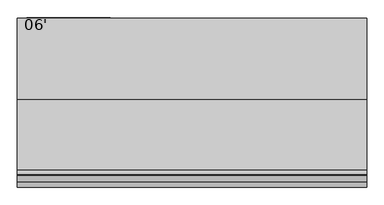
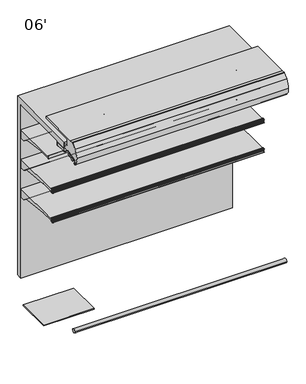
"""IFC4 building model written with IfcOpenShell, lengths in millimetres: proxy geometry, 06'."""

from ifc_helpers import new_model, si_unit, point, frame, frame_2d, origin, place, context, project, spatial, polyline, circle_curve, trimmed, segment, composite_curve, outline, extrude, source, transform, mapped, element, save
from ifc_brep_helpers import plane_surface, cylinder_surface, revolved_surface, advanced_brep


def proxy_06_cfcfbb70(model_context):
    return source(origin(), model_context, "Body", "SolidModel", [
        advanced_brep(
        [(1828.8, -953.4873974, 1188.3336206), (1828.8, -952.5185778, 1188.7146206), (1828.8, -953.6333414, 1191.5492791), (1828.8, -956.6955302, 1193.6427997), (1828.8, -959.1595285, 1193.6508058), (1828.8, -959.1595285, 1165.1089274), (1828.8, -961.2817196, 1162.6035261), (1828.8, -965.5436404, 1161.8992819), (1828.8, -968.2411887, 1165.5176966), (1828.8, -965.1539285, 1178.0739002), (1828.8, -965.1539285, 1193.6508058), (1828.8, -970.314443, 1193.6508058), (1828.8, -971.339509, 1193.1306533), (1828.8, -972.4224632, 1190.8805751), (1828.8, -971.4385536, 1190.6868672), (1828.8, -970.8449745, 1192.2840367), (1828.8, -969.9972085, 1192.4534439), (1828.8, -967.9567396, 1189.3559236), (1828.8, -967.0677396, 1189.3559236), (1828.8, -967.0677396, 1184.5415513), (1828.8, -966.2810398, 1184.3469249), (1828.8, -967.0803293, 1181.1161148), (1828.8, -967.1337108, 1178.0579707), (1828.8, -967.1768859, 1176.9354655), (1828.8, -967.3201998, 1175.2918474), (1828.8, -967.7783843, 1172.5359697), (1828.8, -968.1746064, 1170.9343994), (1828.8, -971.9864246, 1162.6566769), (1828.8, -972.8889174, 1162.7757838), (1828.8, -973.3695256, 1164.2215289), (1828.8, -974.339124, 1163.9575737), (1828.8, -973.9435731, 1162.8065372), (1828.8, -968.3206176, 1159.0474424), (1828.8, -955.7661201, 1161.1134934), (1828.8, -953.1994616, 1163.2422642), (1828.8, -952.2242271, 1165.9215536), (1828.8, -953.2266912, 1166.2864206), (1828.8, -954.0834067, 1164.4981573), (1828.8, -957.704454, 1165.4078872), (1828.8, -957.8263588, 1189.2180727), (1828.8, -954.1516029, 1190.0217197), (0.0, -953.4873974, 1188.3336206), (0.0, -954.1516029, 1190.0217197), (0.0, -957.8263588, 1189.2180727), (0.0, -957.704454, 1165.4078872), (0.0, -954.0834067, 1164.4981573), (0.0, -953.2266912, 1166.2864206), (0.0, -952.2242271, 1165.9215536), (0.0, -953.1994616, 1163.2422642), (0.0, -955.7661201, 1161.1134934), (0.0, -968.3206176, 1159.0474424), (0.0, -973.943554, 1162.8065458), (0.0, -974.339124, 1163.9575737), (0.0, -973.3695256, 1164.2215289), (0.0, -972.8889174, 1162.7757838), (0.0, -971.9864527, 1162.6566957), (0.0, -968.1746064, 1170.9343994), (0.0, -967.7783843, 1172.5359697), (0.0, -967.3201998, 1175.2918474), (0.0, -967.1768859, 1176.9354655), (0.0, -967.1337108, 1178.0579707), (0.0, -967.0803293, 1181.1161148), (0.0, -966.2810398, 1184.3469249), (0.0, -967.0677396, 1184.5415513), (0.0, -967.0677396, 1189.3559236), (0.0, -967.9567396, 1189.3559236), (0.0, -969.9972022, 1192.4534498), (0.0, -970.8449745, 1192.2840367), (0.0, -971.4385536, 1190.6868672), (0.0, -972.4224582, 1190.8805738), (0.0, -971.3395219, 1193.1306627), (0.0, -970.314443, 1193.6507933), (0.0, -965.1539285, 1193.6508058), (0.0, -965.1539285, 1178.0739002), (0.0, -968.2411887, 1165.5176966), (0.0, -965.5436404, 1161.8992819), (0.0, -961.2817196, 1162.6035261), (0.0, -959.1595285, 1165.1089274), (0.0, -959.1595285, 1193.6508058), (0.0, -956.6955302, 1193.6427997), (0.0, -953.6333414, 1191.5492791), (0.0, -952.5185778, 1188.7146206)],
        [
            (0, 1),
            (1, 2),
            (2, 3, circle_curve(frame((1828.8, -956.7062592, 1190.3408171), z_axis=(1.0, 0.0, 0.0), x_axis=(0.0, 1.0, 0.0)), 3.302)),
            (3, 4),
            (4, 5),
            (5, 6, circle_curve(frame((1828.8, -961.6995285, 1165.1089274), z_axis=(-1.0, 0.0, 0.0), x_axis=(0.0, 1.0, 0.0)), 2.54)),
            (6, 7),
            (7, 8, circle_curve(frame((1828.8, -965.9577369, 1164.4052966), z_axis=(-1.0, 0.0, 0.0), x_axis=(0.0, 1.0, 0.0)), 2.5399972)),
            (8, 9, circle_curve(frame((1828.8, -996.6337496, 1179.1563681), z_axis=(1.0, 0.0, 0.0), x_axis=(0.0, 1.0, 0.0)), 31.4984265)),
            (9, 10),
            (10, 11),
            (11, 12, circle_curve(frame((1828.8, -970.3145227, 1192.3808058), z_axis=(1.0, 0.0, 0.0), x_axis=(0.0, 1.0, 0.0)), 1.2699874)),
            (12, 13, circle_curve(frame((1828.8, -965.8048035, 1189.0812188), z_axis=(1.0, 0.0, 0.0), x_axis=(0.0, 1.0, 0.0)), 6.8579226)),
            (13, 14, circle_curve(frame((1828.8, -971.9374049, 1190.748678), z_axis=(1.0, 0.0, 0.0), x_axis=(0.0, 1.0, 0.0)), 0.5026661)),
            (14, 15),
            (15, 16, circle_curve(frame((1828.8, -970.3688025, 1192.10707), z_axis=(-1.0, 0.0, 0.0), x_axis=(0.0, 1.0, 0.0)), 0.5079931)),
            (16, 17, circle_curve(frame((1828.8, -978.1160311, 1184.8844276), z_axis=(-1.0, 0.0, 0.0), x_axis=(0.0, 1.0, 0.0)), 11.0997964)),
            (17, 18),
            (18, 19),
            (19, 20),
            (20, 21),
            (21, 22),
            (22, 23, circle_curve(frame((1828.8, -995.7036769, 1178.594778), z_axis=(-1.0, 0.0, 0.0), x_axis=(0.0, 1.0, 0.0)), 28.5750087)),
            (23, 24, circle_curve(frame((1828.8, -967.6415419, 1176.1479236), z_axis=(-1.0, 0.0, 0.0), x_axis=(0.0, 1.0, 0.0)), 0.9144)),
            (24, 25, circle_curve(frame((1828.8, -995.7036769, 1178.594778), z_axis=(-1.0, 0.0, 0.0), x_axis=(0.0, 1.0, 0.0)), 28.5750087)),
            (25, 26, circle_curve(frame((1828.8, -968.3594405, 1171.8299236), z_axis=(-1.0, 0.0, 0.0), x_axis=(0.0, 1.0, 0.0)), 0.9144)),
            (26, 27, circle_curve(frame((1828.8, -995.7036769, 1178.594778), z_axis=(-1.0, 0.0, 0.0), x_axis=(0.0, 1.0, 0.0)), 28.5750087)),
            (27, 28, circle_curve(frame((1828.8, -972.4081685, 1162.9399198), z_axis=(-1.0, 0.0, 0.0), x_axis=(0.0, 1.0, 0.0)), 0.5079962)),
            (28, 29),
            (29, 30, circle_curve(frame((1828.8, -973.8504313, 1164.075249), z_axis=(1.0, 0.0, 0.0), x_axis=(0.0, 1.0, 0.0)), 0.502661)),
            (30, 31, circle_curve(frame((1828.8, -967.6812793, 1165.602043), z_axis=(1.0, 0.0, 0.0), x_axis=(0.0, 1.0, 0.0)), 6.857928)),
            (31, 32, circle_curve(frame((1828.8, -968.1450833, 1165.3950076), z_axis=(1.0, 0.0, 0.0), x_axis=(0.0, 1.0, 0.0)), 6.3499919)),
            (32, 33),
            (33, 34, circle_curve(frame((1828.8, -956.302307, 1164.3716689), z_axis=(1.0, 0.0, 0.0), x_axis=(0.0, 1.0, 0.0)), 3.302)),
            (34, 35),
            (35, 36),
            (36, 37),
            (37, 38, circle_curve(frame((1828.8, -955.8014264, 1165.3212206), z_axis=(-1.0, 0.0, 0.0), x_axis=(0.0, 1.0, 0.0)), 1.905)),
            (38, 39, circle_curve(frame((1828.8, -1192.7045275, 1176.1101246), z_axis=(1.0, 0.0, 0.0), x_axis=(0.0, 1.0, 0.0)), 235.2436449)),
            (39, 40, circle_curve(frame((1828.8, -955.9243184, 1189.3242206), z_axis=(-1.0, 0.0, 0.0), x_axis=(0.0, 1.0, 0.0)), 1.905)),
            (40, 0),
            (41, 42),
            (42, 43, circle_curve(frame((0.0, -955.9243184, 1189.3242206), z_axis=(1.0, 0.0, 0.0), x_axis=(0.0, 1.0, 0.0)), 1.905)),
            (43, 44, circle_curve(frame((0.0, -1192.7045275, 1176.1101246), z_axis=(-1.0, 0.0, 0.0), x_axis=(0.0, 1.0, 0.0)), 235.2436449)),
            (44, 45, circle_curve(frame((0.0, -955.8014264, 1165.3212206), z_axis=(1.0, 0.0, 0.0), x_axis=(0.0, 1.0, 0.0)), 1.905)),
            (45, 46),
            (46, 47),
            (47, 48),
            (48, 49, circle_curve(frame((0.0, -956.302307, 1164.3716689), z_axis=(-1.0, 0.0, 0.0), x_axis=(0.0, 1.0, 0.0)), 3.302)),
            (49, 50),
            (50, 51, circle_curve(frame((0.0, -968.1450833, 1165.3950076), z_axis=(-1.0, 0.0, 0.0), x_axis=(0.0, 1.0, 0.0)), 6.3499919)),
            (51, 52, circle_curve(frame((0.0, -967.6812793, 1165.602043), z_axis=(-1.0, 0.0, 0.0), x_axis=(0.0, 1.0, 0.0)), 6.857928)),
            (52, 53, circle_curve(frame((0.0, -973.8504313, 1164.075249), z_axis=(-1.0, 0.0, 0.0), x_axis=(0.0, 1.0, 0.0)), 0.502661)),
            (53, 54),
            (54, 55, circle_curve(frame((0.0, -972.4081685, 1162.9399198), z_axis=(1.0, 0.0, 0.0), x_axis=(0.0, 1.0, 0.0)), 0.5079962)),
            (55, 56, circle_curve(frame((0.0, -995.7036769, 1178.594778), z_axis=(1.0, 0.0, 0.0), x_axis=(0.0, 1.0, 0.0)), 28.5750087)),
            (56, 57, circle_curve(frame((0.0, -968.3594405, 1171.8299236), z_axis=(1.0, 0.0, 0.0), x_axis=(0.0, 1.0, 0.0)), 0.9144)),
            (57, 58, circle_curve(frame((0.0, -995.7036769, 1178.594778), z_axis=(1.0, 0.0, 0.0), x_axis=(0.0, 1.0, 0.0)), 28.5750087)),
            (58, 59, circle_curve(frame((0.0, -967.6415419, 1176.1479236), z_axis=(1.0, 0.0, 0.0), x_axis=(0.0, 1.0, 0.0)), 0.9144)),
            (59, 60, circle_curve(frame((0.0, -995.7036769, 1178.594778), z_axis=(1.0, 0.0, 0.0), x_axis=(0.0, 1.0, 0.0)), 28.5750087)),
            (60, 61),
            (61, 62),
            (62, 63),
            (63, 64),
            (64, 65),
            (65, 66, circle_curve(frame((0.0, -978.1160311, 1184.8844276), z_axis=(1.0, 0.0, 0.0), x_axis=(0.0, 1.0, 0.0)), 11.0997964)),
            (66, 67, circle_curve(frame((0.0, -970.3688025, 1192.10707), z_axis=(1.0, 0.0, 0.0), x_axis=(0.0, 1.0, 0.0)), 0.5079931)),
            (67, 68),
            (68, 69, circle_curve(frame((0.0, -971.9374049, 1190.748678), z_axis=(-1.0, 0.0, 0.0), x_axis=(0.0, 1.0, 0.0)), 0.5026661)),
            (69, 70, circle_curve(frame((0.0, -965.8048035, 1189.0812188), z_axis=(-1.0, 0.0, 0.0), x_axis=(0.0, 1.0, 0.0)), 6.8579226)),
            (70, 71, circle_curve(frame((0.0, -970.3145227, 1192.3808058), z_axis=(-1.0, 0.0, 0.0), x_axis=(0.0, 1.0, 0.0)), 1.2699874)),
            (71, 72),
            (72, 73),
            (73, 74, circle_curve(frame((0.0, -996.6337496, 1179.1563681), z_axis=(-1.0, 0.0, 0.0), x_axis=(0.0, 1.0, 0.0)), 31.4984265)),
            (74, 75, circle_curve(frame((0.0, -965.9577369, 1164.4052966), z_axis=(1.0, 0.0, 0.0), x_axis=(0.0, 1.0, 0.0)), 2.5399972)),
            (75, 76),
            (76, 77, circle_curve(frame((0.0, -961.6995285, 1165.1089274), z_axis=(1.0, 0.0, 0.0), x_axis=(0.0, 1.0, 0.0)), 2.54)),
            (77, 78),
            (78, 79),
            (79, 80, circle_curve(frame((0.0, -956.7062592, 1190.3408171), z_axis=(-1.0, 0.0, 0.0), x_axis=(0.0, 1.0, 0.0)), 3.302)),
            (80, 81),
            (81, 41),
            (0, 41),
            (81, 1),
            (80, 2),
            (79, 3),
            (78, 4),
            (77, 5),
            (76, 6),
            (75, 7),
            (74, 8),
            (73, 9),
            (72, 10),
            (71, 11),
            (70, 12),
            (69, 13),
            (68, 14),
            (67, 15),
            (66, 16),
            (65, 17),
            (64, 18),
            (63, 19),
            (62, 20),
            (61, 21),
            (60, 22),
            (59, 23),
            (58, 24),
            (57, 25),
            (56, 26),
            (55, 27),
            (54, 28),
            (53, 29),
            (52, 30),
            (51, 31),
            (50, 32),
            (49, 33),
            (48, 34),
            (47, 35),
            (46, 36),
            (45, 37),
            (44, 38),
            (43, 39),
            (42, 40),
        ],
        [
            plane_surface(frame((1828.8, -952.5185778, 1188.7146206), z_axis=(1.0, 0.0, 0.0), x_axis=(0.0, 0.9306231900674232, 0.3659787946162082))),
            plane_surface(frame((0.0, -952.5185778, 1188.7146206), z_axis=(-1.0, 0.0, 0.0), x_axis=(0.0, -0.9306231900674232, -0.3659787946162082))),
            plane_surface(frame((1828.8, -953.4873974, 1188.3336206), z_axis=(0.0, 0.3659787946162082, -0.9306231900674232), x_axis=(-1.0, 0.0, 0.0))),
            plane_surface(frame((1828.8, -952.5185778, 1188.7146206), z_axis=(0.0, 0.9306231900759704, 0.3659787945944743), x_axis=(-1.0, 0.0, 0.0))),
            cylinder_surface(frame((0.0, -956.7062592, 1190.3408171), z_axis=(1.0, 0.0, 0.0), x_axis=(0.0, 1.0, 0.0)), 3.302),
            plane_surface(frame((1828.8, -956.6955302, 1193.6427997), z_axis=(0.0, 0.0032492421037266625, 0.9999947211989428), x_axis=(-1.0, 0.0, 0.0))),
            plane_surface(frame((1828.8, -959.1595285, 1193.6508058), z_axis=(0.0, -1.0, 0.0), x_axis=(-1.0, 0.0, 0.0))),
            revolved_surface(polyline([(0.0, -959.1595285000001, 1165.1089274), (1828.8, -959.1595285000001, 1165.1089274)]), (0.0, -961.6995285, 1165.1089274), (-1.0, 0.0, 0.0)),
            plane_surface(frame((1828.8, -961.2817196, 1162.6035261), z_axis=(0.0, -0.16303029417408857, 0.9866210636214444), x_axis=(-1.0, 0.0, 0.0))),
            revolved_surface(polyline([(0.0, -963.4177397, 1164.4052966), (1828.8, -963.4177397, 1164.4052966)]), (0.0, -965.9577369, 1164.4052966), (-1.0, 0.0, 0.0)),
            cylinder_surface(frame((0.0, -996.6337496, 1179.1563681), z_axis=(1.0, 0.0, 0.0), x_axis=(0.0, 1.0, 0.0)), 31.4984265),
            plane_surface(frame((1828.8, -965.1539285, 1178.0739002), z_axis=(0.0, 1.0, 0.0), x_axis=(-1.0, 0.0, 0.0))),
            plane_surface(frame((1828.8, -965.1539285, 1193.6508058), z_axis=(0.0, -1.119160319973389e-12, 1.0), x_axis=(-1.0, 0.0, 0.0))),
            cylinder_surface(frame((0.0, -970.3145227, 1192.3808058), z_axis=(1.0, 0.0, 0.0), x_axis=(0.0, 1.0, 0.0)), 1.2699874),
            cylinder_surface(frame((0.0, -965.8048035, 1189.0812188), z_axis=(1.0, 0.0, 0.0), x_axis=(0.0, 1.0, 0.0)), 6.8579226),
            cylinder_surface(frame((0.0, -971.9374049, 1190.748678), z_axis=(1.0, 0.0, 0.0), x_axis=(0.0, 1.0, 0.0)), 0.5026661),
            plane_surface(frame((1828.8, -971.4385536, 1190.6868672), z_axis=(0.0, 0.9373592211117492, -0.34836430729449747), x_axis=(-1.0, 0.0, 0.0))),
            revolved_surface(polyline([(0.0, -969.8608094, 1192.10707), (1828.8, -969.8608094, 1192.10707)]), (0.0, -970.3688025, 1192.10707), (-1.0, 0.0, 0.0)),
            revolved_surface(polyline([(0.0, -967.0162347, 1184.8844276), (1828.8, -967.0162347, 1184.8844276)]), (0.0, -978.1160311, 1184.8844276), (-1.0, 0.0, 0.0)),
            plane_surface(frame((1828.8, -967.9567396, 1189.3559236), z_axis=(0.0, 3.0451831539108525e-12, -1.0), x_axis=(-1.0, 0.0, 0.0))),
            plane_surface(frame((1828.8, -967.0677396, 1189.3559236), z_axis=(0.0, -1.0, 0.0), x_axis=(-1.0, 0.0, 0.0))),
            plane_surface(frame((1828.8, -967.0677396, 1184.5415513), z_axis=(0.0, -0.24015578728041675, -0.9707343600778348), x_axis=(-1.0, 0.0, 0.0))),
            plane_surface(frame((1828.8, -966.2810398, 1184.3469249), z_axis=(0.0, -0.9707343600778283, 0.2401557872804431), x_axis=(-1.0, 0.0, 0.0))),
            plane_surface(frame((1828.8, -967.0803293, 1181.1161148), z_axis=(0.0, -0.999847686821456, 0.017452883938876028), x_axis=(-1.0, 0.0, 0.0))),
            revolved_surface(polyline([(0.0, -967.1286682, 1178.594778), (1828.8, -967.1286682, 1178.594778)]), (0.0, -995.7036769, 1178.594778), (-1.0, 0.0, 0.0)),
            revolved_surface(polyline([(0.0, -966.7271419, 1176.1479236), (1828.8, -966.7271419, 1176.1479236)]), (0.0, -967.6415419, 1176.1479236), (-1.0, 0.0, 0.0)),
            revolved_surface(polyline([(0.0, -967.4450405, 1171.8299236), (1828.8, -967.4450405, 1171.8299236)]), (0.0, -968.3594405, 1171.8299236), (-1.0, 0.0, 0.0)),
            revolved_surface(polyline([(0.0, -971.9001723, 1162.9399198), (1828.8, -971.9001723, 1162.9399198)]), (0.0, -972.4081685, 1162.9399198), (-1.0, 0.0, 0.0)),
            plane_surface(frame((1828.8, -972.8889174, 1162.7757838), z_axis=(0.0, 0.9489403078347877, 0.31545568970367077), x_axis=(-1.0, 0.0, 0.0))),
            cylinder_surface(frame((0.0, -973.8504313, 1164.075249), z_axis=(1.0, 0.0, 0.0), x_axis=(0.0, 1.0, 0.0)), 0.502661),
            cylinder_surface(frame((0.0, -967.6812793, 1165.602043), z_axis=(1.0, 0.0, 0.0), x_axis=(0.0, 1.0, 0.0)), 6.857928),
            cylinder_surface(frame((0.0, -968.1450833, 1165.3950076), z_axis=(1.0, 0.0, 0.0), x_axis=(0.0, 1.0, 0.0)), 6.3499919),
            plane_surface(frame((1828.8, -968.3206176, 1159.0474424), z_axis=(0.0, 0.16238245504538304, -0.986727894757939), x_axis=(-1.0, 0.0, 0.0))),
            cylinder_surface(frame((0.0, -956.302307, 1164.3716689), z_axis=(1.0, 0.0, 0.0), x_axis=(0.0, 1.0, 0.0)), 3.302),
            plane_surface(frame((1828.8, -953.1994616, 1163.2422642), z_axis=(0.0, 0.9396866512804775, -0.3420365439617273), x_axis=(-1.0, 0.0, 0.0))),
            plane_surface(frame((1828.8, -952.2242271, 1165.9215536), z_axis=(0.0, 0.342020143308865, 0.9396926207920244), x_axis=(-1.0, 0.0, 0.0))),
            plane_surface(frame((1828.8, -953.2266912, 1166.2864206), z_axis=(0.0, -0.901847608486837, 0.43205426865912666), x_axis=(-1.0, 0.0, 0.0))),
            revolved_surface(polyline([(0.0, -953.8964264, 1165.3212206), (1828.8, -953.8964264, 1165.3212206)]), (0.0, -955.8014264, 1165.3212206), (-1.0, 0.0, 0.0)),
            cylinder_surface(frame((0.0, -1192.7045275, 1176.1101246), z_axis=(1.0, 0.0, 0.0), x_axis=(0.0, 1.0, 0.0)), 235.2436449),
            revolved_surface(polyline([(0.0, -954.0193184, 1189.3242206), (1828.8, -954.0193184, 1189.3242206)]), (0.0, -955.9243184, 1189.3242206), (-1.0, 0.0, 0.0)),
            plane_surface(frame((1828.8, -954.1516029, 1190.0217197), z_axis=(0.0, -0.9305593005414599, -0.3661412134351841), x_axis=(-1.0, 0.0, 0.0))),
        ],
        [
            (0, [[1, 2, 3, 4, 5, 6, 7, 8, 9, 10, 11, 12, 13, 14, 15, 16, 17, 18, 19, 20, 21, 22, 23, 24, 25, 26, 27, 28, 29, 30, 31, 32, 33, 34, 35, 36, 37, 38, 39, 40, 41]]),
            (1, [[42, 43, 44, 45, 46, 47, 48, 49, 50, 51, 52, 53, 54, 55, 56, 57, 58, 59, 60, 61, 62, 63, 64, 65, 66, 67, 68, 69, 70, 71, 72, 73, 74, 75, 76, 77, 78, 79, 80, 81, 82]]),
            (2, [[-1, 83, -82, 84]]),
            (3, [[-2, -84, -81, 85]]),
            (4, [[-3, -85, -80, 86]]),
            (5, [[-4, -86, -79, 87]]),
            (6, [[-5, -87, -78, 88]]),
            (7, [[-6, -88, -77, 89]]),
            (8, [[-7, -89, -76, 90]]),
            (9, [[-8, -90, -75, 91]]),
            (10, [[-9, -91, -74, 92]]),
            (11, [[-10, -92, -73, 93]]),
            (12, [[-11, -93, -72, 94]]),
            (13, [[-12, -94, -71, 95]]),
            (14, [[-13, -95, -70, 96]]),
            (15, [[-14, -96, -69, 97]]),
            (16, [[-15, -97, -68, 98]]),
            (17, [[-16, -98, -67, 99]]),
            (18, [[-17, -99, -66, 100]]),
            (19, [[-18, -100, -65, 101]]),
            (20, [[-19, -101, -64, 102]]),
            (21, [[-20, -102, -63, 103]]),
            (22, [[-21, -103, -62, 104]]),
            (23, [[-22, -104, -61, 105]]),
            (24, [[-23, -105, -60, 106]]),
            (25, [[-24, -106, -59, 107]]),
            (24, [[-25, -107, -58, 108]]),
            (26, [[-26, -108, -57, 109]]),
            (24, [[-27, -109, -56, 110]]),
            (27, [[-28, -110, -55, 111]]),
            (28, [[-29, -111, -54, 112]]),
            (29, [[-30, -112, -53, 113]]),
            (30, [[-31, -113, -52, 114]]),
            (31, [[-32, -114, -51, 115]]),
            (32, [[-33, -115, -50, 116]]),
            (33, [[-34, -116, -49, 117]]),
            (34, [[-35, -117, -48, 118]]),
            (35, [[-36, -118, -47, 119]]),
            (36, [[-37, -119, -46, 120]]),
            (37, [[-38, -120, -45, 121]]),
            (38, [[-39, -121, -44, 122]]),
            (39, [[-40, -122, -43, 123]]),
            (40, [[-41, -123, -42, -83]]),
        ],
    ),
        advanced_brep(
        [(1828.8, -953.4873974, 1456.3997549), (1828.8, -952.5185778, 1456.7807549), (1828.8, -953.6333414, 1459.6154133), (1828.8, -956.6955302, 1461.7089339), (1828.8, -959.1595285, 1461.7169401), (1828.8, -959.1595285, 1433.1750617), (1828.8, -961.2817196, 1430.6696604), (1828.8, -965.5436404, 1429.9654161), (1828.8, -968.2411887, 1433.5838309), (1828.8, -965.1539285, 1446.1400345), (1828.8, -965.1539285, 1461.7169401), (1828.8, -970.314443, 1461.7169401), (1828.8, -971.339509, 1461.1967875), (1828.8, -972.4224632, 1458.9467094), (1828.8, -971.4385536, 1458.7530014), (1828.8, -970.8449745, 1460.350171), (1828.8, -969.9972085, 1460.5195782), (1828.8, -967.9567396, 1457.4220579), (1828.8, -967.0677396, 1457.4220579), (1828.8, -967.0677396, 1452.6076856), (1828.8, -966.2810398, 1452.4130592), (1828.8, -967.0803293, 1449.1822491), (1828.8, -967.1337108, 1446.124105), (1828.8, -967.1768859, 1445.0015997), (1828.8, -967.3201998, 1443.3579816), (1828.8, -967.7783843, 1440.602104), (1828.8, -968.1746064, 1439.0005336), (1828.8, -971.9864246, 1430.7228111), (1828.8, -972.8889174, 1430.8419181), (1828.8, -973.3695256, 1432.2876631), (1828.8, -974.339124, 1432.0237079), (1828.8, -973.9435731, 1430.8726715), (1828.8, -968.3206176, 1427.1135766), (1828.8, -955.7661201, 1429.1796276), (1828.8, -953.1994616, 1431.3083984), (1828.8, -952.2242271, 1433.9876878), (1828.8, -953.2266912, 1434.3525549), (1828.8, -954.0834067, 1432.5642915), (1828.8, -957.704454, 1433.4740215), (1828.8, -957.8263588, 1457.2842069), (1828.8, -954.1516029, 1458.0878539), (0.0, -953.4873974, 1456.3997549), (0.0, -954.1516029, 1458.0878539), (0.0, -957.8263588, 1457.2842069), (0.0, -957.704454, 1433.4740215), (0.0, -954.0834067, 1432.5642915), (0.0, -953.2266912, 1434.3525549), (0.0, -952.2242271, 1433.9876878), (0.0, -953.1994616, 1431.3083984), (0.0, -955.7661201, 1429.1796276), (0.0, -968.3206176, 1427.1135766), (0.0, -973.943554, 1430.87268), (0.0, -974.339124, 1432.0237079), (0.0, -973.3695256, 1432.2876631), (0.0, -972.8889174, 1430.8419181), (0.0, -971.9864527, 1430.7228299), (0.0, -968.1746064, 1439.0005336), (0.0, -967.7783843, 1440.602104), (0.0, -967.3201998, 1443.3579816), (0.0, -967.1768859, 1445.0015997), (0.0, -967.1337108, 1446.124105), (0.0, -967.0803293, 1449.1822491), (0.0, -966.2810398, 1452.4130592), (0.0, -967.0677396, 1452.6076856), (0.0, -967.0677396, 1457.4220579), (0.0, -967.9567396, 1457.4220579), (0.0, -969.9972022, 1460.5195841), (0.0, -970.8449745, 1460.350171), (0.0, -971.4385536, 1458.7530014), (0.0, -972.4224582, 1458.946708), (0.0, -971.3395219, 1461.1967969), (0.0, -970.314443, 1461.7169275), (0.0, -965.1539285, 1461.7169401), (0.0, -965.1539285, 1446.1400345), (0.0, -968.2411887, 1433.5838309), (0.0, -965.5436404, 1429.9654161), (0.0, -961.2817196, 1430.6696604), (0.0, -959.1595285, 1433.1750617), (0.0, -959.1595285, 1461.7169401), (0.0, -956.6955302, 1461.7089339), (0.0, -953.6333414, 1459.6154133), (0.0, -952.5185778, 1456.7807549)],
        [
            (0, 1),
            (1, 2),
            (2, 3, circle_curve(frame((1828.8, -956.7062592, 1458.4069514), z_axis=(1.0, 0.0, 0.0), x_axis=(0.0, 1.0, 0.0)), 3.302)),
            (3, 4),
            (4, 5),
            (5, 6, circle_curve(frame((1828.8, -961.6995285, 1433.1750617), z_axis=(-1.0, 0.0, 0.0), x_axis=(0.0, 1.0, 0.0)), 2.54)),
            (6, 7),
            (7, 8, circle_curve(frame((1828.8, -965.9577369, 1432.4714309), z_axis=(-1.0, 0.0, 0.0), x_axis=(0.0, 1.0, 0.0)), 2.5399972)),
            (8, 9, circle_curve(frame((1828.8, -996.6337496, 1447.2225023), z_axis=(1.0, 0.0, 0.0), x_axis=(0.0, 1.0, 0.0)), 31.4984265)),
            (9, 10),
            (10, 11),
            (11, 12, circle_curve(frame((1828.8, -970.3145227, 1460.4469401), z_axis=(1.0, 0.0, 0.0), x_axis=(0.0, 1.0, 0.0)), 1.2699874)),
            (12, 13, circle_curve(frame((1828.8, -965.8048035, 1457.1473531), z_axis=(1.0, 0.0, 0.0), x_axis=(0.0, 1.0, 0.0)), 6.8579226)),
            (13, 14, circle_curve(frame((1828.8, -971.9374049, 1458.8148123), z_axis=(1.0, 0.0, 0.0), x_axis=(0.0, 1.0, 0.0)), 0.5026661)),
            (14, 15),
            (15, 16, circle_curve(frame((1828.8, -970.3688025, 1460.1732043), z_axis=(-1.0, 0.0, 0.0), x_axis=(0.0, 1.0, 0.0)), 0.5079931)),
            (16, 17, circle_curve(frame((1828.8, -978.1160311, 1452.9505619), z_axis=(-1.0, 0.0, 0.0), x_axis=(0.0, 1.0, 0.0)), 11.0997964)),
            (17, 18),
            (18, 19),
            (19, 20),
            (20, 21),
            (21, 22),
            (22, 23, circle_curve(frame((1828.8, -995.7036769, 1446.6609123), z_axis=(-1.0, 0.0, 0.0), x_axis=(0.0, 1.0, 0.0)), 28.5750087)),
            (23, 24, circle_curve(frame((1828.8, -967.6415419, 1444.2140579), z_axis=(-1.0, 0.0, 0.0), x_axis=(0.0, 1.0, 0.0)), 0.9144)),
            (24, 25, circle_curve(frame((1828.8, -995.7036769, 1446.6609123), z_axis=(-1.0, 0.0, 0.0), x_axis=(0.0, 1.0, 0.0)), 28.5750087)),
            (25, 26, circle_curve(frame((1828.8, -968.3594405, 1439.8960579), z_axis=(-1.0, 0.0, 0.0), x_axis=(0.0, 1.0, 0.0)), 0.9144)),
            (26, 27, circle_curve(frame((1828.8, -995.7036769, 1446.6609123), z_axis=(-1.0, 0.0, 0.0), x_axis=(0.0, 1.0, 0.0)), 28.5750087)),
            (27, 28, circle_curve(frame((1828.8, -972.4081685, 1431.0060541), z_axis=(-1.0, 0.0, 0.0), x_axis=(0.0, 1.0, 0.0)), 0.5079962)),
            (28, 29),
            (29, 30, circle_curve(frame((1828.8, -973.8504313, 1432.1413833), z_axis=(1.0, 0.0, 0.0), x_axis=(0.0, 1.0, 0.0)), 0.502661)),
            (30, 31, circle_curve(frame((1828.8, -967.6812793, 1433.6681773), z_axis=(1.0, 0.0, 0.0), x_axis=(0.0, 1.0, 0.0)), 6.857928)),
            (31, 32, circle_curve(frame((1828.8, -968.1450833, 1433.4611419), z_axis=(1.0, 0.0, 0.0), x_axis=(0.0, 1.0, 0.0)), 6.3499919)),
            (32, 33),
            (33, 34, circle_curve(frame((1828.8, -956.302307, 1432.4378031), z_axis=(1.0, 0.0, 0.0), x_axis=(0.0, 1.0, 0.0)), 3.302)),
            (34, 35),
            (35, 36),
            (36, 37),
            (37, 38, circle_curve(frame((1828.8, -955.8014264, 1433.3873549), z_axis=(-1.0, 0.0, 0.0), x_axis=(0.0, 1.0, 0.0)), 1.905)),
            (38, 39, circle_curve(frame((1828.8, -1192.7045275, 1444.1762589), z_axis=(1.0, 0.0, 0.0), x_axis=(0.0, 1.0, 0.0)), 235.2436449)),
            (39, 40, circle_curve(frame((1828.8, -955.9243184, 1457.3903549), z_axis=(-1.0, 0.0, 0.0), x_axis=(0.0, 1.0, 0.0)), 1.905)),
            (40, 0),
            (41, 42),
            (42, 43, circle_curve(frame((0.0, -955.9243184, 1457.3903549), z_axis=(1.0, 0.0, 0.0), x_axis=(0.0, 1.0, 0.0)), 1.905)),
            (43, 44, circle_curve(frame((0.0, -1192.7045275, 1444.1762589), z_axis=(-1.0, 0.0, 0.0), x_axis=(0.0, 1.0, 0.0)), 235.2436449)),
            (44, 45, circle_curve(frame((0.0, -955.8014264, 1433.3873549), z_axis=(1.0, 0.0, 0.0), x_axis=(0.0, 1.0, 0.0)), 1.905)),
            (45, 46),
            (46, 47),
            (47, 48),
            (48, 49, circle_curve(frame((0.0, -956.302307, 1432.4378031), z_axis=(-1.0, 0.0, 0.0), x_axis=(0.0, 1.0, 0.0)), 3.302)),
            (49, 50),
            (50, 51, circle_curve(frame((0.0, -968.1450833, 1433.4611419), z_axis=(-1.0, 0.0, 0.0), x_axis=(0.0, 1.0, 0.0)), 6.3499919)),
            (51, 52, circle_curve(frame((0.0, -967.6812793, 1433.6681773), z_axis=(-1.0, 0.0, 0.0), x_axis=(0.0, 1.0, 0.0)), 6.857928)),
            (52, 53, circle_curve(frame((0.0, -973.8504313, 1432.1413833), z_axis=(-1.0, 0.0, 0.0), x_axis=(0.0, 1.0, 0.0)), 0.502661)),
            (53, 54),
            (54, 55, circle_curve(frame((0.0, -972.4081685, 1431.0060541), z_axis=(1.0, 0.0, 0.0), x_axis=(0.0, 1.0, 0.0)), 0.5079962)),
            (55, 56, circle_curve(frame((0.0, -995.7036769, 1446.6609123), z_axis=(1.0, 0.0, 0.0), x_axis=(0.0, 1.0, 0.0)), 28.5750087)),
            (56, 57, circle_curve(frame((0.0, -968.3594405, 1439.8960579), z_axis=(1.0, 0.0, 0.0), x_axis=(0.0, 1.0, 0.0)), 0.9144)),
            (57, 58, circle_curve(frame((0.0, -995.7036769, 1446.6609123), z_axis=(1.0, 0.0, 0.0), x_axis=(0.0, 1.0, 0.0)), 28.5750087)),
            (58, 59, circle_curve(frame((0.0, -967.6415419, 1444.2140579), z_axis=(1.0, 0.0, 0.0), x_axis=(0.0, 1.0, 0.0)), 0.9144)),
            (59, 60, circle_curve(frame((0.0, -995.7036769, 1446.6609123), z_axis=(1.0, 0.0, 0.0), x_axis=(0.0, 1.0, 0.0)), 28.5750087)),
            (60, 61),
            (61, 62),
            (62, 63),
            (63, 64),
            (64, 65),
            (65, 66, circle_curve(frame((0.0, -978.1160311, 1452.9505619), z_axis=(1.0, 0.0, 0.0), x_axis=(0.0, 1.0, 0.0)), 11.0997964)),
            (66, 67, circle_curve(frame((0.0, -970.3688025, 1460.1732043), z_axis=(1.0, 0.0, 0.0), x_axis=(0.0, 1.0, 0.0)), 0.5079931)),
            (67, 68),
            (68, 69, circle_curve(frame((0.0, -971.9374049, 1458.8148123), z_axis=(-1.0, 0.0, 0.0), x_axis=(0.0, 1.0, 0.0)), 0.5026661)),
            (69, 70, circle_curve(frame((0.0, -965.8048035, 1457.1473531), z_axis=(-1.0, 0.0, 0.0), x_axis=(0.0, 1.0, 0.0)), 6.8579226)),
            (70, 71, circle_curve(frame((0.0, -970.3145227, 1460.4469401), z_axis=(-1.0, 0.0, 0.0), x_axis=(0.0, 1.0, 0.0)), 1.2699874)),
            (71, 72),
            (72, 73),
            (73, 74, circle_curve(frame((0.0, -996.6337496, 1447.2225023), z_axis=(-1.0, 0.0, 0.0), x_axis=(0.0, 1.0, 0.0)), 31.4984265)),
            (74, 75, circle_curve(frame((0.0, -965.9577369, 1432.4714309), z_axis=(1.0, 0.0, 0.0), x_axis=(0.0, 1.0, 0.0)), 2.5399972)),
            (75, 76),
            (76, 77, circle_curve(frame((0.0, -961.6995285, 1433.1750617), z_axis=(1.0, 0.0, 0.0), x_axis=(0.0, 1.0, 0.0)), 2.54)),
            (77, 78),
            (78, 79),
            (79, 80, circle_curve(frame((0.0, -956.7062592, 1458.4069514), z_axis=(-1.0, 0.0, 0.0), x_axis=(0.0, 1.0, 0.0)), 3.302)),
            (80, 81),
            (81, 41),
            (0, 41),
            (81, 1),
            (80, 2),
            (79, 3),
            (78, 4),
            (77, 5),
            (76, 6),
            (75, 7),
            (74, 8),
            (73, 9),
            (72, 10),
            (71, 11),
            (70, 12),
            (69, 13),
            (68, 14),
            (67, 15),
            (66, 16),
            (65, 17),
            (64, 18),
            (63, 19),
            (62, 20),
            (61, 21),
            (60, 22),
            (59, 23),
            (58, 24),
            (57, 25),
            (56, 26),
            (55, 27),
            (54, 28),
            (53, 29),
            (52, 30),
            (51, 31),
            (50, 32),
            (49, 33),
            (48, 34),
            (47, 35),
            (46, 36),
            (45, 37),
            (44, 38),
            (43, 39),
            (42, 40),
        ],
        [
            plane_surface(frame((1828.8, -952.5185778, 1456.7807549), z_axis=(1.0, 0.0, 0.0), x_axis=(0.0, 0.9306231900674675, 0.36597879461609556))),
            plane_surface(frame((0.0, -952.5185778, 1456.7807549), z_axis=(-1.0, 0.0, 0.0), x_axis=(0.0, -0.9306231900674675, -0.36597879461609556))),
            plane_surface(frame((1828.8, -953.4873974, 1456.3997549), z_axis=(0.0, 0.36597879461609556, -0.9306231900674675), x_axis=(-1.0, 0.0, 0.0))),
            plane_surface(frame((1828.8, -952.5185778, 1456.7807549), z_axis=(0.0, 0.9306231900759823, 0.365978794594444), x_axis=(-1.0, 0.0, 0.0))),
            cylinder_surface(frame((0.0, -956.7062592, 1458.4069514), z_axis=(1.0, 0.0, 0.0), x_axis=(0.0, 1.0, 0.0)), 3.302),
            plane_surface(frame((1828.8, -956.6955302, 1461.7089339), z_axis=(0.0, 0.0032492421037266625, 0.9999947211989428), x_axis=(-1.0, 0.0, 0.0))),
            plane_surface(frame((1828.8, -959.1595285, 1461.7169401), z_axis=(0.0, -1.0, 0.0), x_axis=(-1.0, 0.0, 0.0))),
            revolved_surface(polyline([(0.0, -959.1595285000001, 1433.1750617), (1828.8, -959.1595285000001, 1433.1750617)]), (0.0, -961.6995285, 1433.1750617), (-1.0, 0.0, 0.0)),
            plane_surface(frame((1828.8, -961.2817196, 1430.6696604), z_axis=(0.0, -0.16303029417402248, 0.9866210636214553), x_axis=(-1.0, 0.0, 0.0))),
            revolved_surface(polyline([(0.0, -963.4177397, 1432.4714309), (1828.8, -963.4177397, 1432.4714309)]), (0.0, -965.9577369, 1432.4714309), (-1.0, 0.0, 0.0)),
            cylinder_surface(frame((0.0, -996.6337496, 1447.2225023), z_axis=(1.0, 0.0, 0.0), x_axis=(0.0, 1.0, 0.0)), 31.4984265),
            plane_surface(frame((1828.8, -965.1539285, 1446.1400345), z_axis=(0.0, 1.0, 0.0), x_axis=(-1.0, 0.0, 0.0))),
            plane_surface(frame((1828.8, -965.1539285, 1461.7169401), z_axis=(0.0, -1.119160319973389e-12, 1.0), x_axis=(-1.0, 0.0, 0.0))),
            cylinder_surface(frame((0.0, -970.3145227, 1460.4469401), z_axis=(1.0, 0.0, 0.0), x_axis=(0.0, 1.0, 0.0)), 1.2699874),
            cylinder_surface(frame((0.0, -965.8048035, 1457.1473531), z_axis=(1.0, 0.0, 0.0), x_axis=(0.0, 1.0, 0.0)), 6.8579226),
            cylinder_surface(frame((0.0, -971.9374049, 1458.8148123), z_axis=(1.0, 0.0, 0.0), x_axis=(0.0, 1.0, 0.0)), 0.5026661),
            plane_surface(frame((1828.8, -971.4385536, 1458.7530014), z_axis=(0.0, 0.9373592211117492, -0.34836430729449747), x_axis=(-1.0, 0.0, 0.0))),
            revolved_surface(polyline([(0.0, -969.8608094, 1460.1732043), (1828.8, -969.8608094, 1460.1732043)]), (0.0, -970.3688025, 1460.1732043), (-1.0, 0.0, 0.0)),
            revolved_surface(polyline([(0.0, -967.0162347, 1452.9505619), (1828.8, -967.0162347, 1452.9505619)]), (0.0, -978.1160311, 1452.9505619), (-1.0, 0.0, 0.0)),
            plane_surface(frame((1828.8, -967.9567396, 1457.4220579), z_axis=(0.0, 3.0451831539108525e-12, -1.0), x_axis=(-1.0, 0.0, 0.0))),
            plane_surface(frame((1828.8, -967.0677396, 1457.4220579), z_axis=(0.0, -1.0, 0.0), x_axis=(-1.0, 0.0, 0.0))),
            plane_surface(frame((1828.8, -967.0677396, 1452.6076856), z_axis=(0.0, -0.24015578728025933, -0.9707343600778736), x_axis=(-1.0, 0.0, 0.0))),
            plane_surface(frame((1828.8, -966.2810398, 1452.4130592), z_axis=(0.0, -0.9707343600778305, 0.2401557872804336), x_axis=(-1.0, 0.0, 0.0))),
            plane_surface(frame((1828.8, -967.0803293, 1449.1822491), z_axis=(0.0, -0.9998476868214559, 0.017452883938876798), x_axis=(-1.0, 0.0, 0.0))),
            revolved_surface(polyline([(0.0, -967.1286682, 1446.6609123), (1828.8, -967.1286682, 1446.6609123)]), (0.0, -995.7036769, 1446.6609123), (-1.0, 0.0, 0.0)),
            revolved_surface(polyline([(0.0, -966.7271419, 1444.2140579), (1828.8, -966.7271419, 1444.2140579)]), (0.0, -967.6415419, 1444.2140579), (-1.0, 0.0, 0.0)),
            revolved_surface(polyline([(0.0, -967.4450405, 1439.8960579), (1828.8, -967.4450405, 1439.8960579)]), (0.0, -968.3594405, 1439.8960579), (-1.0, 0.0, 0.0)),
            revolved_surface(polyline([(0.0, -971.9001723, 1431.0060541), (1828.8, -971.9001723, 1431.0060541)]), (0.0, -972.4081685, 1431.0060541), (-1.0, 0.0, 0.0)),
            plane_surface(frame((1828.8, -972.8889174, 1430.8419181), z_axis=(0.0, 0.9489403078347877, 0.31545568970367077), x_axis=(-1.0, 0.0, 0.0))),
            cylinder_surface(frame((0.0, -973.8504313, 1432.1413833), z_axis=(1.0, 0.0, 0.0), x_axis=(0.0, 1.0, 0.0)), 0.502661),
            cylinder_surface(frame((0.0, -967.6812793, 1433.6681773), z_axis=(1.0, 0.0, 0.0), x_axis=(0.0, 1.0, 0.0)), 6.857928),
            cylinder_surface(frame((0.0, -968.1450833, 1433.4611419), z_axis=(1.0, 0.0, 0.0), x_axis=(0.0, 1.0, 0.0)), 6.3499919),
            plane_surface(frame((1828.8, -968.3206176, 1427.1135766), z_axis=(0.0, 0.1623824550453934, -0.9867278947579372), x_axis=(-1.0, 0.0, 0.0))),
            cylinder_surface(frame((0.0, -956.302307, 1432.4378031), z_axis=(1.0, 0.0, 0.0), x_axis=(0.0, 1.0, 0.0)), 3.302),
            plane_surface(frame((1828.8, -953.1994616, 1431.3083984), z_axis=(0.0, 0.9396866512804775, -0.3420365439617273), x_axis=(-1.0, 0.0, 0.0))),
            plane_surface(frame((1828.8, -952.2242271, 1433.9876878), z_axis=(0.0, 0.342020143308865, 0.9396926207920244), x_axis=(-1.0, 0.0, 0.0))),
            plane_surface(frame((1828.8, -953.2266912, 1434.3525549), z_axis=(0.0, -0.9018476084868497, 0.4320542686591001), x_axis=(-1.0, 0.0, 0.0))),
            revolved_surface(polyline([(0.0, -953.8964264, 1433.3873549), (1828.8, -953.8964264, 1433.3873549)]), (0.0, -955.8014264, 1433.3873549), (-1.0, 0.0, 0.0)),
            cylinder_surface(frame((0.0, -1192.7045275, 1444.1762589), z_axis=(1.0, 0.0, 0.0), x_axis=(0.0, 1.0, 0.0)), 235.2436449),
            revolved_surface(polyline([(0.0, -954.0193184, 1457.3903549), (1828.8, -954.0193184, 1457.3903549)]), (0.0, -955.9243184, 1457.3903549), (-1.0, 0.0, 0.0)),
            plane_surface(frame((1828.8, -954.1516029, 1458.0878539), z_axis=(0.0, -0.93055930054145, -0.36614121343520956), x_axis=(-1.0, 0.0, 0.0))),
        ],
        [
            (0, [[1, 2, 3, 4, 5, 6, 7, 8, 9, 10, 11, 12, 13, 14, 15, 16, 17, 18, 19, 20, 21, 22, 23, 24, 25, 26, 27, 28, 29, 30, 31, 32, 33, 34, 35, 36, 37, 38, 39, 40, 41]]),
            (1, [[42, 43, 44, 45, 46, 47, 48, 49, 50, 51, 52, 53, 54, 55, 56, 57, 58, 59, 60, 61, 62, 63, 64, 65, 66, 67, 68, 69, 70, 71, 72, 73, 74, 75, 76, 77, 78, 79, 80, 81, 82]]),
            (2, [[-1, 83, -82, 84]]),
            (3, [[-2, -84, -81, 85]]),
            (4, [[-3, -85, -80, 86]]),
            (5, [[-4, -86, -79, 87]]),
            (6, [[-5, -87, -78, 88]]),
            (7, [[-6, -88, -77, 89]]),
            (8, [[-7, -89, -76, 90]]),
            (9, [[-8, -90, -75, 91]]),
            (10, [[-9, -91, -74, 92]]),
            (11, [[-10, -92, -73, 93]]),
            (12, [[-11, -93, -72, 94]]),
            (13, [[-12, -94, -71, 95]]),
            (14, [[-13, -95, -70, 96]]),
            (15, [[-14, -96, -69, 97]]),
            (16, [[-15, -97, -68, 98]]),
            (17, [[-16, -98, -67, 99]]),
            (18, [[-17, -99, -66, 100]]),
            (19, [[-18, -100, -65, 101]]),
            (20, [[-19, -101, -64, 102]]),
            (21, [[-20, -102, -63, 103]]),
            (22, [[-21, -103, -62, 104]]),
            (23, [[-22, -104, -61, 105]]),
            (24, [[-23, -105, -60, 106]]),
            (25, [[-24, -106, -59, 107]]),
            (24, [[-25, -107, -58, 108]]),
            (26, [[-26, -108, -57, 109]]),
            (24, [[-27, -109, -56, 110]]),
            (27, [[-28, -110, -55, 111]]),
            (28, [[-29, -111, -54, 112]]),
            (29, [[-30, -112, -53, 113]]),
            (30, [[-31, -113, -52, 114]]),
            (31, [[-32, -114, -51, 115]]),
            (32, [[-33, -115, -50, 116]]),
            (33, [[-34, -116, -49, 117]]),
            (34, [[-35, -117, -48, 118]]),
            (35, [[-36, -118, -47, 119]]),
            (36, [[-37, -119, -46, 120]]),
            (37, [[-38, -120, -45, 121]]),
            (38, [[-39, -121, -44, 122]]),
            (39, [[-40, -122, -43, 123]]),
            (40, [[-41, -123, -42, -83]]),
        ],
    ),
        extrude(outline(composite_curve([segment(trimmed(circle_curve(frame_2d((-536.2729198, 1133.3037953)), 25.4), [point((-535.8410838, 1107.9074665))], [point((-552.2502761, 1113.5583126))], False, "CARTESIAN"), True, "CONTINUOUS"), segment(polyline([(-552.2502761, 1113.5583126), (-570.1023372, 1128.0035781)]), True, "CONTINUOUS"), segment(trimmed(circle_curve(frame_2d((-610.0457279, 1078.6398714)), 63.5), [point((-570.1023372, 1128.0035781))], [point((-602.1478466, 1141.6468033))], True, "CARTESIAN"), True, "CONTINUOUS"), segment(polyline([(-602.1478466, 1141.6468033), (-835.4355203, 1165.4310619), (-835.4355203, 1168.7844928), (-954.2108051, 1168.7844928), (-954.8655599, 1165.0711937)]), True, "CONTINUOUS"), segment(trimmed(circle_curve(frame_2d((-956.153787, 1165.2983428)), 1.3081), [point((-954.8655599, 1165.0711937))], [point((-957.461887, 1165.2983428))], False, "CARTESIAN"), True, "CONTINUOUS"), segment(polyline([(-957.461887, 1165.2983428), (-957.461887, 1189.4507797)]), True, "CONTINUOUS"), segment(trimmed(circle_curve(frame_2d((-956.6845498, 1189.4507797)), 0.7773372), [point((-957.461887, 1189.4507797))], [point((-955.9072126, 1189.4507797))], False, "CARTESIAN"), True, "CONTINUOUS"), segment(polyline([(-955.9072126, 1189.4507797), (-955.9072126, 1188.6020019)]), True, "CONTINUOUS"), segment(trimmed(circle_curve(frame_2d((-951.0617588, 1188.6020019)), 4.8454538), [point((-955.9072126, 1188.6020019))], [point((-951.0838062, 1183.7565983))], True, "CARTESIAN"), True, "CONTINUOUS"), segment(polyline([(-951.0838062, 1183.7565983), (-500.2639658, 1183.7565983), (-500.2639658, 1107.9074665), (-535.8410838, 1107.9074665)]), True, "CONTINUOUS")], self_intersect=False)), frame((0.0, 0.0, 0.0), z_axis=(1.0, 0.0, 0.0), x_axis=(0.0, 1.0, 0.0)), (0.0, 0.0, 1.0), 1828.8),
        extrude(outline(composite_curve([segment(trimmed(circle_curve(frame_2d((-536.2729198, 1672.2638087)), 25.4), [point((-535.8410838, 1646.8674799))], [point((-552.2502761, 1652.518326))], False, "CARTESIAN"), True, "CONTINUOUS"), segment(polyline([(-552.2502761, 1652.518326), (-570.1023372, 1666.9635916)]), True, "CONTINUOUS"), segment(trimmed(circle_curve(frame_2d((-610.0457279, 1617.5998848)), 63.5), [point((-570.1023372, 1666.9635916))], [point((-600.4933507, 1680.3772859))], True, "CARTESIAN"), True, "CONTINUOUS"), segment(polyline([(-600.4933507, 1680.3772859), (-784.6412524, 1704.3779278), (-784.6412524, 1707.7445062), (-903.4165372, 1707.7445062), (-904.071292, 1704.0312071)]), True, "CONTINUOUS"), segment(trimmed(circle_curve(frame_2d((-905.359519, 1704.2583562)), 1.3081), [point((-904.071292, 1704.0312071))], [point((-906.667619, 1704.2583562))], False, "CARTESIAN"), True, "CONTINUOUS"), segment(polyline([(-906.667619, 1704.2583562), (-906.667619, 1728.4107931)]), True, "CONTINUOUS"), segment(trimmed(circle_curve(frame_2d((-905.8902818, 1728.4107931)), 0.7773372), [point((-906.667619, 1728.4107931))], [point((-905.1129446, 1728.4107931))], False, "CARTESIAN"), True, "CONTINUOUS"), segment(polyline([(-905.1129446, 1728.4107931), (-905.1129446, 1727.5620153)]), True, "CONTINUOUS"), segment(trimmed(circle_curve(frame_2d((-900.2674909, 1727.5620153)), 4.8454538), [point((-905.1129446, 1727.5620153))], [point((-900.2895383, 1722.7166117))], True, "CARTESIAN"), True, "CONTINUOUS"), segment(polyline([(-900.2895383, 1722.7166117), (-500.2639658, 1722.7166117), (-500.2639658, 1646.8674799), (-535.8410838, 1646.8674799)]), True, "CONTINUOUS")], self_intersect=False)), frame((0.0, 0.0, 0.0), z_axis=(1.0, 0.0, 0.0), x_axis=(0.0, 1.0, 0.0)), (0.0, 0.0, 1.0), 1828.8),
        extrude(outline(composite_curve([segment(trimmed(circle_curve(frame_2d((-536.2729198, 1401.356035)), 25.4), [point((-535.8410838, 1375.9597062))], [point((-552.2502761, 1381.6105523))], False, "CARTESIAN"), True, "CONTINUOUS"), segment(polyline([(-552.2502761, 1381.6105523), (-570.1023372, 1396.0558178)]), True, "CONTINUOUS"), segment(trimmed(circle_curve(frame_2d((-610.0457279, 1346.6921111)), 63.5), [point((-570.1023372, 1396.0558178))], [point((-602.1478466, 1409.699043))], True, "CARTESIAN"), True, "CONTINUOUS"), segment(polyline([(-602.1478466, 1409.699043), (-835.4355203, 1433.4833016), (-835.4355203, 1436.8367325), (-954.2108051, 1436.8367325), (-954.8655599, 1433.1234333)]), True, "CONTINUOUS"), segment(trimmed(circle_curve(frame_2d((-956.153787, 1433.3505825)), 1.3081), [point((-954.8655599, 1433.1234333))], [point((-957.461887, 1433.3505825))], False, "CARTESIAN"), True, "CONTINUOUS"), segment(polyline([(-957.461887, 1433.3505825), (-957.461887, 1457.5030194)]), True, "CONTINUOUS"), segment(trimmed(circle_curve(frame_2d((-956.6845498, 1457.5030194)), 0.7773372), [point((-957.461887, 1457.5030194))], [point((-955.9072126, 1457.5030194))], False, "CARTESIAN"), True, "CONTINUOUS"), segment(polyline([(-955.9072126, 1457.5030194), (-955.9072126, 1456.6542416)]), True, "CONTINUOUS"), segment(trimmed(circle_curve(frame_2d((-951.0617588, 1456.6542416)), 4.8454538), [point((-955.9072126, 1456.6542416))], [point((-951.0838062, 1451.808838))], True, "CARTESIAN"), True, "CONTINUOUS"), segment(polyline([(-951.0838062, 1451.808838), (-500.2639658, 1451.808838), (-500.2639658, 1375.9597062), (-535.8410838, 1375.9597062)]), True, "CONTINUOUS")], self_intersect=False)), frame((0.0, 0.0, 0.0), z_axis=(1.0, 0.0, 0.0), x_axis=(0.0, 1.0, 0.0)), (0.0, 0.0, 1.0), 1828.8),
        extrude(outline(polyline([(486.171875, -754.415012), (48.021875, -754.415012), (48.021875, -447.329012), (486.171875, -447.329012), (486.171875, -754.415012)])), frame((0.0, 0.0, 68.5310382), z_axis=(0.0, 0.0, 1.0), x_axis=(1.0, 0.0, 0.0)), (0.0, 0.0, 1.0), 6.35),
        extrude(outline(polyline([(1828.8, -1043.857807), (1828.8, -1145.4578064), (0.0, -1145.4578064), (0.0, -1043.857807), (1828.8, -1043.857807)])), frame((0.0, 0.0, 1914.8664093), z_axis=(0.0, 0.0, 1.0), x_axis=(1.0, 0.0, 0.0)), (0.0, 0.0, 1.0), 25.3999935),
        extrude(outline(composite_curve([segment(polyline([(-451.7851762, 367.1756257), (-500.2639658, 367.1756257), (-500.2639658, 1949.9895757), (-1043.222807, 1949.9895757), (-1043.222807, 1912.6450166)]), True, "CONTINUOUS"), segment(trimmed(circle_curve(frame_2d((-1045.445098, 1912.6450166)), 2.2222909), [point((-1043.222807, 1912.6450166))], [point((-1045.445098, 1910.4227257))], False, "CARTESIAN"), True, "CONTINUOUS"), segment(polyline([(-1045.445098, 1910.4227257), (-1057.882775, 1910.4227257)]), True, "CONTINUOUS"), segment(trimmed(circle_curve(frame_2d((-1057.882775, 1910.7402257)), 0.3175), [point((-1057.882775, 1910.4227257))], [point((-1057.882775, 1911.0577257))], False, "CARTESIAN"), True, "CONTINUOUS"), segment(polyline([(-1057.882775, 1911.0577257), (-1045.445307, 1911.0577257)]), True, "CONTINUOUS"), segment(trimmed(circle_curve(frame_2d((-1045.445307, 1912.6452257)), 1.5875), [point((-1045.445307, 1911.0577257))], [point((-1043.857807, 1912.6452257))], True, "CARTESIAN"), True, "CONTINUOUS"), segment(polyline([(-1043.857807, 1912.6452257), (-1043.857807, 1940.2664016), (-1146.8484725, 1940.2664028), (-1146.8484725, 1912.6452257)]), True, "CONTINUOUS"), segment(trimmed(circle_curve(frame_2d((-1145.2609725, 1912.6452257)), 1.5875), [point((-1146.8484725, 1912.6452257))], [point((-1145.2609725, 1911.0577257))], True, "CARTESIAN"), True, "CONTINUOUS"), segment(polyline([(-1145.2609725, 1911.0577257), (-1136.2482021, 1911.0577257)]), True, "CONTINUOUS"), segment(trimmed(circle_curve(frame_2d((-1136.2482021, 1910.7402257)), 0.3175), [point((-1136.2482021, 1911.0577257))], [point((-1136.2482021, 1910.4227257))], False, "CARTESIAN"), True, "CONTINUOUS"), segment(polyline([(-1136.2482021, 1910.4227257), (-1145.2611816, 1910.4227257)]), True, "CONTINUOUS"), segment(trimmed(circle_curve(frame_2d((-1145.2611816, 1912.6450167)), 2.2222909), [point((-1145.2611816, 1910.4227257))], [point((-1147.4754748, 1912.4566488))], False, "CARTESIAN"), True, "CONTINUOUS"), segment(polyline([(-1147.4754748, 1912.4566488), (-1147.4754748, 2000.9165757), (-451.7851762, 2000.9165757), (-451.7851762, 367.1756257)]), True, "CONTINUOUS")], self_intersect=False)), frame((0.0, 0.0, 0.0), z_axis=(1.0, 0.0, 0.0), x_axis=(0.0, 1.0, 0.0)), (0.0, 0.0, 1.0), 1828.8),
        extrude(outline(composite_curve([segment(polyline([(-1154.5871408, 1916.2331769), (-1154.5871408, 1917.1475769), (-1148.3846084, 1917.1475769)]), True, "CONTINUOUS"), segment(trimmed(circle_curve(frame_2d((-1148.3846084, 1917.6919195)), 0.5443426), [point((-1148.3846084, 1917.1475769))], [point((-1147.8402658, 1917.6919195))], True, "CARTESIAN"), True, "CONTINUOUS"), segment(polyline([(-1147.8402658, 1917.6919195), (-1147.8402658, 1960.5898319)]), True, "CONTINUOUS"), segment(trimmed(circle_curve(frame_2d((-1148.2752408, 1960.5898319)), 0.434975), [point((-1147.8402658, 1960.5898319))], [point((-1148.424011, 1960.9985747))], True, "CARTESIAN"), True, "CONTINUOUS"), segment(polyline([(-1148.424011, 1960.9985747), (-1180.9562719, 1949.1578001)]), True, "CONTINUOUS"), segment(trimmed(circle_curve(frame_2d((-1181.4368745, 1950.478245)), 1.4051881), [point((-1180.9562719, 1949.1578001))], [point((-1182.0307327, 1949.204712))], False, "CARTESIAN"), True, "CONTINUOUS"), segment(polyline([(-1182.0307327, 1949.204712), (-1206.3683838, 1960.5535452), (-1311.1114658, 1932.4877209), (-1311.1114658, 1918.2347529), (-1312.0258658, 1918.2347529), (-1312.0258658, 1902.8669364)]), True, "CONTINUOUS"), segment(trimmed(circle_curve(frame_2d((-1310.4383658, 1902.8669364)), 1.5875), [point((-1312.0258658, 1902.8669364))], [point((-1310.9552052, 1901.3659257))], True, "CARTESIAN"), True, "CONTINUOUS"), segment(polyline([(-1310.9552052, 1901.3659257), (-1300.7637174, 1897.856715)]), True, "CONTINUOUS"), segment(trimmed(circle_curve(frame_2d((-1300.246878, 1899.3577258)), 1.5875), [point((-1300.7637174, 1897.856715))], [point((-1299.124346, 1898.2351937))], True, "CARTESIAN"), True, "CONTINUOUS"), segment(polyline([(-1299.124346, 1898.2351937), (-1295.7298092, 1901.6297305)]), True, "CONTINUOUS"), segment(trimmed(circle_curve(frame_2d((-1295.3232893, 1901.2232106)), 0.574906), [point((-1295.7298092, 1901.6297305))], [point((-1294.8765034, 1901.5850107))], False, "CARTESIAN"), True, "CONTINUOUS"), segment(polyline([(-1294.8765034, 1901.5850107), (-1294.0466363, 1902.4148778), (-1292.6097953, 1900.9780368), (-1299.1833428, 1894.4044894)]), True, "CONTINUOUS"), segment(trimmed(circle_curve(frame_2d((-1304.3200493, 1899.5411959)), 7.2644), [point((-1299.1833428, 1894.4044894))], [point((-1309.6328951, 1894.586887))], False, "CARTESIAN"), True, "CONTINUOUS"), segment(trimmed(circle_curve(frame_2d((-1237.0914169, 1963.5365808)), 100.0815984), [point((-1309.6328951, 1894.586887))], [point((-1337.130482, 1966.4540798))], False, "CARTESIAN"), True, "CONTINUOUS"), segment(trimmed(circle_curve(frame_2d((-1234.6586092, 1963.5015396)), 102.5144), [point((-1337.130482, 1966.4540798))], [point((-1308.4012972, 2034.7140257))], False, "CARTESIAN"), True, "CONTINUOUS"), segment(polyline([(-1308.4012972, 2034.7140257), (-1273.765492, 2070.580452)]), True, "CONTINUOUS"), segment(trimmed(circle_curve(frame_2d((-1268.5399199, 2065.5341757)), 7.2644), [point((-1273.765492, 2070.580452))], [point((-1268.5399199, 2072.7985757))], False, "CARTESIAN"), True, "CONTINUOUS"), segment(polyline([(-1268.5399199, 2072.7985757), (-1246.8367658, 2072.7985757), (-1246.8367658, 2070.7665757), (-877.8001658, 2070.7665757), (-877.8001658, 2053.0), (-1193.4788424, 2053.0), (-1193.4788424, 2000.9165757), (-1147.4754748, 2000.9165757), (-1147.4754748, 1917.2180045)]), True, "CONTINUOUS"), segment(trimmed(circle_curve(frame_2d((-1148.4603024, 1917.2180045)), 0.9848276), [point((-1147.4754748, 1917.2180045))], [point((-1148.4603024, 1916.2331769))], False, "CARTESIAN"), True, "CONTINUOUS"), segment(polyline([(-1148.4603024, 1916.2331769), (-1154.5871408, 1916.2331769)]), True, "CONTINUOUS")], self_intersect=False)), frame((0.0, 0.0, 0.0), z_axis=(1.0, 0.0, 0.0), x_axis=(0.0, 1.0, 0.0)), (0.0, 0.0, 1.0), 1828.8),
        extrude(outline(composite_curve([segment(trimmed(circle_curve(frame_2d((-1223.9123321, 1929.4566846)), 14.2875), [point((-1238.1998321, 1929.4566846))], [point((-1209.6248321, 1929.4566846))], False, "CARTESIAN"), True, "CONTINUOUS"), segment(trimmed(circle_curve(frame_2d((-1223.9123321, 1929.4566846)), 14.2875), [point((-1209.6248321, 1929.4566846))], [point((-1238.1998321, 1929.4566846))], False, "CARTESIAN"), True, "CONTINUOUS")], self_intersect=False)), frame((0.0, 0.0, 0.0), z_axis=(1.0, 0.0, 0.0), x_axis=(0.0, 1.0, 0.0)), (0.0, 0.0, 1.0), 1828.8),
        extrude(outline(composite_curve([segment(trimmed(circle_curve(frame_2d((-1267.5951197, 1917.7519169)), 14.2875), [point((-1281.8826197, 1917.7519169))], [point((-1253.3076197, 1917.7519169))], False, "CARTESIAN"), True, "CONTINUOUS"), segment(trimmed(circle_curve(frame_2d((-1267.5951197, 1917.7519169)), 14.2875), [point((-1253.3076197, 1917.7519169))], [point((-1281.8826197, 1917.7519169))], False, "CARTESIAN"), True, "CONTINUOUS")], self_intersect=False)), frame((0.0, 0.0, 0.0), z_axis=(1.0, 0.0, 0.0), x_axis=(0.0, 1.0, 0.0)), (0.0, 0.0, 1.0), 1828.8),
        extrude(outline(composite_curve([segment(trimmed(circle_curve(frame_2d((-1293.1554914, 368.3)), 17.3534359), [point((-1310.5089273, 368.3))], [point((-1275.8020556, 368.3))], False, "CARTESIAN"), True, "CONTINUOUS"), segment(trimmed(circle_curve(frame_2d((-1293.1554914, 368.3)), 17.3534359), [point((-1275.8020556, 368.3))], [point((-1310.5089273, 368.3))], False, "CARTESIAN"), True, "CONTINUOUS")], self_intersect=False)), frame((0.0, 0.0, 0.0), z_axis=(1.0, 0.0, 0.0), x_axis=(0.0, 1.0, 0.0)), (0.0, 0.0, 1.0), 1828.8),
    ])


if __name__ == "__main__":
    model = new_model("IFC4")
    model_context = context("Model", 3, world=origin())
    ifc_project = project(units=[si_unit("LENGTHUNIT", "METRE", prefix="MILLI")], contexts=[model_context])
    site = spatial("IfcSite", under=ifc_project)
    building = spatial("IfcBuilding", under=site)
    placement = place(None, origin())
    proxy_06_shape = proxy_06_cfcfbb70(model_context)
    element("IfcBuildingElementProxy", 1, Name="06'", ObjectType="06'", at=placement, inside=building, context=model_context, shape_type="MappedRepresentation", body=[
        mapped(proxy_06_shape, transform((0.0, 0.0, 0.0), x_axis=(1.0, 0.0, 0.0), y_axis=(0.0, 1.0, 0.0), z_axis=(0.0, 0.0, 1.0))),
    ])
    save(model, "model.ifc")
